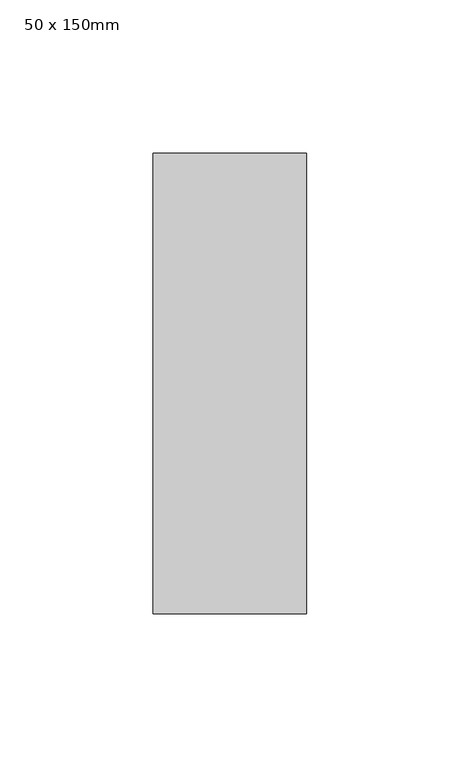
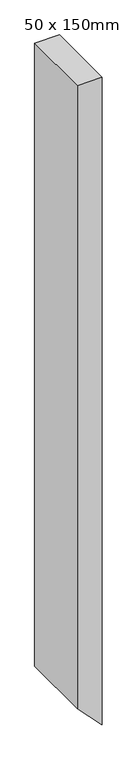
"""IFC4 building model written with IfcOpenShell, lengths in millimetres: member geometry, 50 x 150mm."""

from ifc_helpers import new_model, si_unit, frame, origin, place, context, project, spatial, polyline, outline, extrude, source, transform, mapped, element, save


def member_50_x_150mm_0bd5e3f4(model_context):
    return source(origin(), model_context, "Body", "SweptSolid", [
        extrude(outline(polyline([(0.0, 0.0), (0.0, -50.0), (-1331.9377997, -50.0), (-1383.9665961, 0.0), (0.0, 0.0)])), frame((0.0, -75.0, 0.0), z_axis=(0.0, 1.0, 0.0), x_axis=(0.0, 0.0, 1.0)), (0.0, 0.0, 1.0), 150.0),
    ])


if __name__ == "__main__":
    model = new_model("IFC4")
    model_context = context("Model", 3, world=origin())
    ifc_project = project(units=[si_unit("LENGTHUNIT", "METRE", prefix="MILLI")], contexts=[model_context])
    site = spatial("IfcSite", under=ifc_project)
    building = spatial("IfcBuilding", under=site)
    placement = place(None, origin())
    member_50_x_150mm_shape = member_50_x_150mm_0bd5e3f4(model_context)
    element("IfcMember", 1, ObjectType="50 x 150mm", at=placement, inside=building, context=model_context, shape_type="MappedRepresentation", body=[
        mapped(member_50_x_150mm_shape, transform((0.0, 0.0, 0.0), x_axis=(1.0, 0.0, 0.0), y_axis=(0.0, 1.0, 0.0), z_axis=(0.0, 0.0, 1.0))),
    ])
    save(model, "model.ifc")
